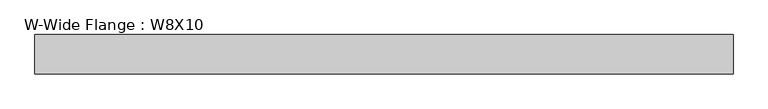
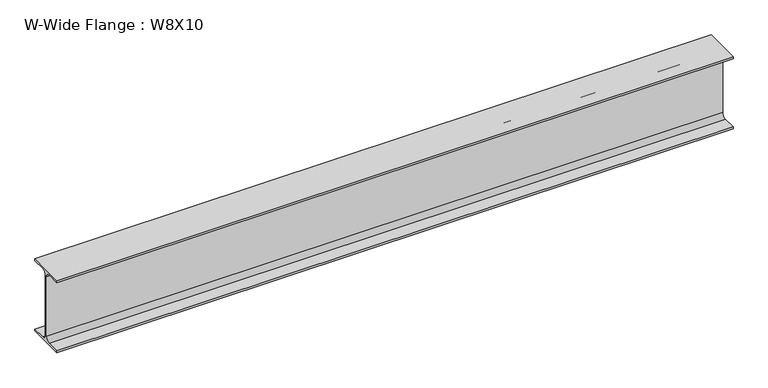
"""IFC4 building model written with IfcOpenShell, lengths in millimetres: beam geometry, W-Wide Flange : W8X10."""

from ifc_helpers import new_model, si_unit, point, frame, frame_2d, origin, place, context, project, spatial, polyline, circle_curve, trimmed, segment, composite_curve, outline, extrude, source, transform, mapped, element, save


def w_wide_flange_w8x10_71387e73(model_context):
    return source(origin(), model_context, "Body", "SweptSolid", [
        extrude(outline(composite_curve([segment(polyline([(50.0558594, -95.0515625), (50.0558594, -100.2109375), (-50.0558594, -100.2109375), (-50.0558594, -95.0515625), (-14.4859375, -95.0515625)]), True, "CONTINUOUS"), segment(trimmed(circle_curve(frame_2d((-14.4859375, -82.7484375)), 12.303125), [point((-14.4859375, -95.0515625))], [point((-2.1828125, -82.7484375))], True, "CARTESIAN"), True, "CONTINUOUS"), segment(polyline([(-2.1828125, -82.7484375), (-2.1828125, 82.7484375)]), True, "CONTINUOUS"), segment(trimmed(circle_curve(frame_2d((-14.4859375, 82.7484375)), 12.303125), [point((-2.1828125, 82.7484375))], [point((-14.4859375, 95.0515625))], True, "CARTESIAN"), True, "CONTINUOUS"), segment(polyline([(-14.4859375, 95.0515625), (-50.0558594, 95.0515625), (-50.0558594, 100.2109375), (50.0558594, 100.2109375), (50.0558594, 95.0515625), (14.4859375, 95.0515625)]), True, "CONTINUOUS"), segment(trimmed(circle_curve(frame_2d((14.4859375, 82.7484375)), 12.303125), [point((14.4859375, 95.0515625))], [point((2.1828125, 82.7484375))], True, "CARTESIAN"), True, "CONTINUOUS"), segment(polyline([(2.1828125, 82.7484375), (2.1828125, -82.7484375)]), True, "CONTINUOUS"), segment(trimmed(circle_curve(frame_2d((14.4859375, -82.7484375)), 12.303125), [point((2.1828125, -82.7484375))], [point((14.4859375, -95.0515625))], True, "CARTESIAN"), True, "CONTINUOUS"), segment(polyline([(14.4859375, -95.0515625), (50.0558594, -95.0515625)]), True, "CONTINUOUS")], self_intersect=False)), frame((-889.4960938, 0.0, 0.0), z_axis=(1.0, 0.0, 0.0), x_axis=(0.0, 1.0, 0.0)), (0.0, 0.0, 1.0), 1778.9921875),
    ])


if __name__ == "__main__":
    model = new_model("IFC4")
    model_context = context("Model", 3, world=origin())
    ifc_project = project(units=[si_unit("LENGTHUNIT", "METRE", prefix="MILLI")], contexts=[model_context])
    site = spatial("IfcSite", under=ifc_project)
    building = spatial("IfcBuilding", under=site)
    placement = place(None, origin())
    w_wide_flange_w8x10_shape = w_wide_flange_w8x10_71387e73(model_context)
    element("IfcBeam", 1, ObjectType="W-Wide Flange : W8X10", at=placement, inside=building, context=model_context, shape_type="MappedRepresentation", body=[
        mapped(w_wide_flange_w8x10_shape, transform((0.0, 0.0, 0.0), x_axis=(1.0, 0.0, 0.0), y_axis=(0.0, 1.0, 0.0), z_axis=(0.0, 0.0, 1.0))),
    ])
    save(model, "model.ifc")
